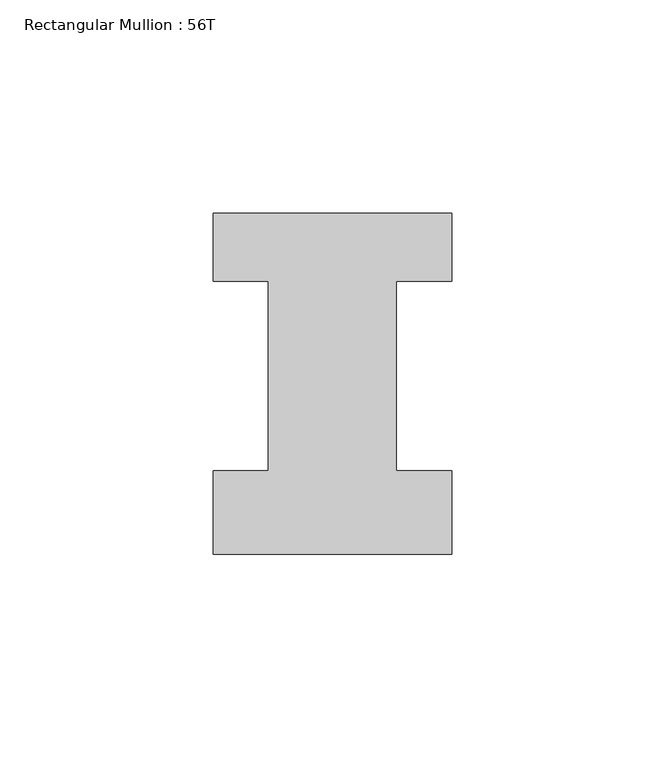
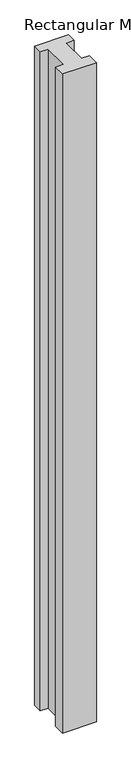
"""IFC4 building model written with IfcOpenShell, lengths in millimetres: member geometry, Rectangular Mullion : 56T."""

from ifc_helpers import new_model, si_unit, frame, origin, place, context, project, spatial, polyline, outline, extrude, source, transform, mapped, element, save


def rectangular_mullion_56t_e1b17618(model_context):
    return source(origin(), model_context, "Body", "SweptSolid", [
        extrude(outline(polyline([(28.0, -20.0), (-28.0, -20.0), (-28.0, -0.5), (-15.0, -0.5), (-15.0, 44.0), (-28.0, 44.0), (-28.0, 60.0), (28.0, 60.0), (28.0, 44.0), (15.0, 44.0), (15.0, -0.5), (28.0, -0.5), (28.0, -20.0)])), frame((0.0, 0.0, -1156.0), z_axis=(0.0, 0.0, 1.0), x_axis=(1.0, 0.0, 0.0)), (0.0, 0.0, 1.0), 1156.0),
    ])


if __name__ == "__main__":
    model = new_model("IFC4")
    model_context = context("Model", 3, world=origin())
    ifc_project = project(units=[si_unit("LENGTHUNIT", "METRE", prefix="MILLI")], contexts=[model_context])
    site = spatial("IfcSite", under=ifc_project)
    building = spatial("IfcBuilding", under=site)
    placement = place(None, origin())
    rectangular_mullion_56t_shape = rectangular_mullion_56t_e1b17618(model_context)
    element("IfcMember", 1, ObjectType="Rectangular Mullion : 56T", at=placement, inside=building, context=model_context, shape_type="MappedRepresentation", body=[
        mapped(rectangular_mullion_56t_shape, transform((0.0, 0.0, 0.0), x_axis=(1.0, 0.0, 0.0), y_axis=(0.0, 1.0, 0.0), z_axis=(0.0, 0.0, 1.0))),
    ])
    save(model, "model.ifc")
